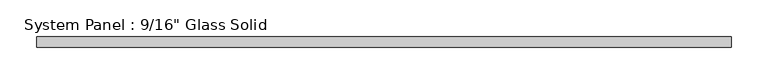
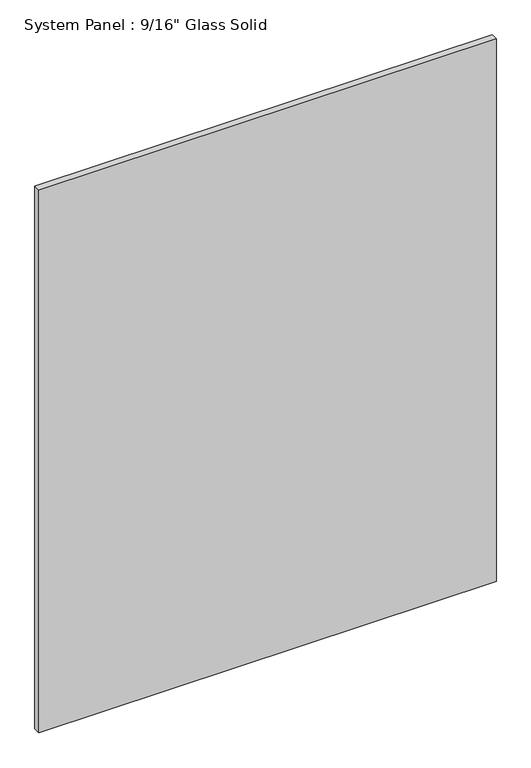
"""IFC4 building model written with IfcOpenShell, lengths in millimetres: plate geometry."""

from ifc_helpers import new_model, si_unit, origin, origin_with_axes, place, context, project, spatial, polyline, outline, extrude, source, transform, mapped, element, save


def plate_d34837f6(model_context):
    return source(origin(), model_context, "Body", "SweptSolid", [
        extrude(outline(polyline([(473.6555865, -7.14375), (-473.6555865, -7.14375), (-473.6555865, 7.14375), (473.6555865, 7.14375), (473.6555865, -7.14375)])), origin_with_axes(), (0.0, 0.0, 1.0), 1187.4517704),
    ])


if __name__ == "__main__":
    model = new_model("IFC4")
    model_context = context("Model", 3, world=origin())
    ifc_project = project(units=[si_unit("LENGTHUNIT", "METRE", prefix="MILLI")], contexts=[model_context])
    site = spatial("IfcSite", under=ifc_project)
    building = spatial("IfcBuilding", under=site)
    placement = place(None, origin())
    plate_shape = plate_d34837f6(model_context)
    element("IfcPlate", 1, ObjectType="System Panel : 9/16\" Glass Solid", at=placement, inside=building, context=model_context, shape_type="MappedRepresentation", body=[
        mapped(plate_shape, transform((0.0, 0.0, 0.0), x_axis=(1.0, 0.0, 0.0), y_axis=(0.0, 1.0, 0.0), z_axis=(0.0, 0.0, 1.0))),
    ])
    save(model, "model.ifc")
